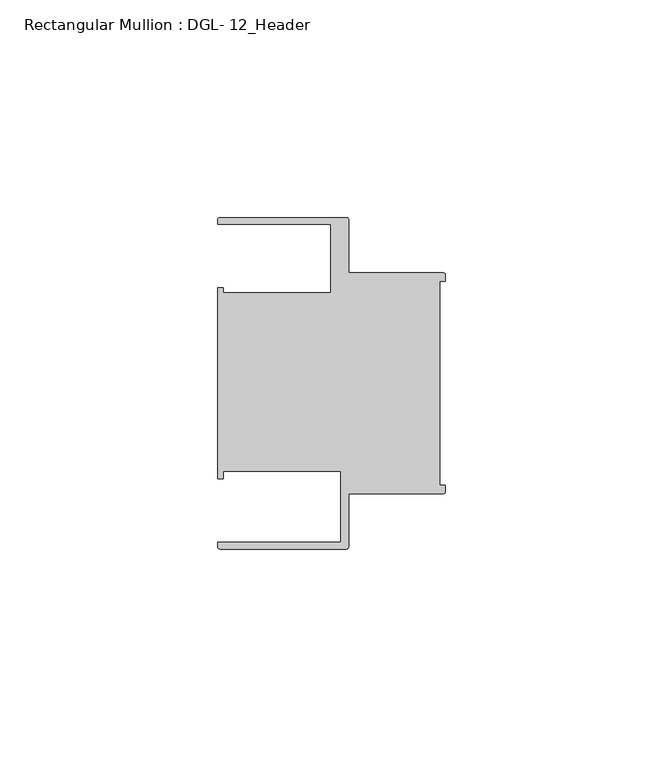
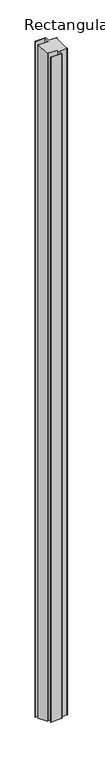
"""IFC4 building model written with IfcOpenShell, lengths in millimetres: member geometry, Rectangular Mullion : DGL- 12_Header."""

from ifc_helpers import new_model, si_unit, frame, origin, place, context, project, spatial, circle_curve, ellipse_curve, source, transform, mapped, element, save
from ifc_brep_helpers import plane_surface, cylinder_surface, advanced_brep


def rectangular_mullion_dgl_12_header_24eb3535(model_context):
    return source(origin(), model_context, "Body", "AdvancedBrep", [
        advanced_brep(
        [(-0.5953125, -25.4, 0.0), (0.0, -24.8046875, 0.0), (0.0, -23.4882401, 0.0), (-1.30175, -23.4882401, 0.0), (-1.30175, 23.4882401, 0.0), (0.0, 23.4882401, 0.0), (0.0, 24.8046875, 0.0), (-0.5953125, 25.4, 0.0), (-22.2332076, 25.4, 0.0), (-22.2332076, 37.5047035, 0.0), (-22.8285201, 38.100016, 0.0), (-51.7968699, 38.100016, 0.0), (-52.3921824, 37.5047035, 0.0), (-52.3921824, 36.512516, 0.0), (-26.3720794, 36.512516, 0.0), (-26.3720794, 20.8257348, 0.0), (-51.1280305, 20.8257348, 0.0), (-51.1280305, 21.9710976, 0.0), (-52.3948122, 21.9710976, 0.0), (-52.3948122, -21.9710976, 0.0), (-51.1280305, -21.9710976, 0.0), (-51.1280305, -20.1823589, 0.0), (-24.0747075, -20.1823589, 0.0), (-24.0747075, -36.5123462, 0.0), (-52.3921824, -36.5123462, 0.0), (-52.3921824, -37.5043667, 0.0), (-51.7968699, -38.0996792, 0.0), (-22.8285201, -38.0996792, 0.0), (-22.2332076, -37.5043667, 0.0), (-22.2332076, -25.4, 0.0), (-0.5953125, -25.4, -1913.8146572), (0.0, -24.8046875, -1914.0612437), (0.0, -23.4882401, -1914.6065341), (-1.30175, -23.4882401, -1914.6065341), (-1.30175, 23.4882401, -1934.0648293), (0.0, 23.4882401, -1934.0648293), (0.0, 24.8046875, -1934.6101196), (-0.5953125, 25.4, -1934.8567061), (-22.2332076, 25.4, -1934.8567061), (-22.2332076, 37.5047035, -1939.8706385), (-22.8285201, 38.100016, -1940.117225), (-51.7968699, 38.100016, -1940.117225), (-52.3921824, 37.5047035, -1939.8706385), (-52.3921824, 36.512516, -1939.459661), (-26.3720794, 36.512516, -1939.459661), (-26.3720794, 20.8257348, -1932.9619835), (-51.1280305, 20.8257348, -1932.9619835), (-51.1280305, 21.9710976, -1933.4364083), (-52.3948122, 21.9710976, -1933.4364083), (-52.3948122, -21.9710976, -1915.2349551), (-51.1280305, -21.9710976, -1915.2349551), (-51.1280305, -20.1823589, -1915.9758749), (-24.0747075, -20.1823589, -1915.9758749), (-24.0747075, -36.5123462, -1909.2117727), (-52.3921824, -36.5123462, -1909.2117727), (-52.3921824, -37.5043667, -1908.8008643), (-51.7968699, -38.0996792, -1908.5542778), (-22.8285201, -38.0996792, -1908.5542778), (-22.2332076, -37.5043667, -1908.8008643), (-22.2332076, -25.4, -1913.8146572)],
        [
            (0, 1, circle_curve(frame((-0.5953125, -24.8046875, 0.0), z_axis=(0.0, 0.0, 1.0), x_axis=(0.0, -1.0, 0.0)), 0.5953125)),
            (1, 2),
            (2, 3),
            (3, 4),
            (4, 5),
            (5, 6),
            (6, 7, circle_curve(frame((-0.5953125, 24.8046875, 0.0), z_axis=(0.0, 0.0, 1.0), x_axis=(0.0, 1.0, 0.0)), 0.5953125)),
            (7, 8),
            (8, 9),
            (9, 10, circle_curve(frame((-22.8285201, 37.5047035, 0.0), z_axis=(0.0, 0.0, 1.0), x_axis=(1.0, 0.0, 0.0)), 0.5953125)),
            (10, 11),
            (11, 12, circle_curve(frame((-51.7968699, 37.5047035, 0.0), z_axis=(0.0, 0.0, 1.0), x_axis=(1.0, 0.0, 0.0)), 0.5953125)),
            (12, 13),
            (13, 14),
            (14, 15),
            (15, 16),
            (16, 17),
            (17, 18),
            (18, 19),
            (19, 20),
            (20, 21),
            (21, 22),
            (22, 23),
            (23, 24),
            (24, 25),
            (25, 26, circle_curve(frame((-51.7968699, -37.5043667, 0.0), z_axis=(0.0, 0.0, 1.0), x_axis=(1.0, 0.0, 0.0)), 0.5953125)),
            (26, 27),
            (27, 28, circle_curve(frame((-22.8285201, -37.5043667, 0.0), z_axis=(0.0, 0.0, 1.0), x_axis=(1.0, 0.0, 0.0)), 0.5953125)),
            (28, 29),
            (29, 0),
            (0, 30),
            (30, 31, ellipse_curve(frame((-0.5953125, -24.8046875, -1914.0612437), z_axis=(0.0, 0.3826834323650906, 0.9238795325112865), x_axis=(0.0, -0.9238795325112865, 0.3826834323650903)), 0.6443616, 0.5953125)),
            (31, 1),
            (31, 32),
            (32, 2),
            (32, 33),
            (33, 3),
            (33, 34),
            (34, 4),
            (34, 35),
            (35, 5),
            (35, 36),
            (36, 6),
            (36, 37, ellipse_curve(frame((-0.5953125, 24.8046875, -1934.6101196), z_axis=(0.0, 0.3826834323650906, 0.9238795325112865), x_axis=(0.0, -0.9238795325112865, 0.3826834323650903)), 0.6443616, 0.5953125)),
            (37, 7),
            (37, 38),
            (38, 8),
            (38, 39),
            (39, 9),
            (39, 40, ellipse_curve(frame((-22.8285201, 37.5047035, -1939.8706385), z_axis=(0.0, 0.3826834323650906, 0.9238795325112865), x_axis=(0.0, -0.9238795325112865, 0.3826834323650903)), 0.6443616, 0.5953125)),
            (40, 10),
            (40, 41),
            (41, 11),
            (41, 42, ellipse_curve(frame((-51.7968699, 37.5047035, -1939.8706385), z_axis=(0.0, 0.3826834323650906, 0.9238795325112865), x_axis=(0.0, -0.9238795325112865, 0.3826834323650903)), 0.6443616, 0.5953125)),
            (42, 12),
            (42, 43),
            (43, 13),
            (43, 44),
            (44, 14),
            (44, 45),
            (45, 15),
            (45, 46),
            (46, 16),
            (46, 47),
            (47, 17),
            (47, 48),
            (48, 18),
            (48, 49),
            (49, 19),
            (49, 50),
            (50, 20),
            (50, 51),
            (51, 21),
            (51, 52),
            (52, 22),
            (52, 53),
            (53, 23),
            (53, 54),
            (54, 24),
            (54, 55),
            (55, 25),
            (55, 56, ellipse_curve(frame((-51.7968699, -37.5043667, -1908.8008643), z_axis=(0.0, 0.3826834323650906, 0.9238795325112865), x_axis=(0.0, -0.9238795325112865, 0.3826834323650903)), 0.6443616, 0.5953125)),
            (56, 26),
            (56, 57),
            (57, 27),
            (57, 58, ellipse_curve(frame((-22.8285201, -37.5043667, -1908.8008643), z_axis=(0.0, 0.3826834323650906, 0.9238795325112865), x_axis=(0.0, -0.9238795325112865, 0.3826834323650903)), 0.6443616, 0.5953125)),
            (58, 28),
            (58, 59),
            (59, 29),
            (59, 30),
        ],
        [
            plane_surface(frame((0.0, -64.5372437, 0.0), z_axis=(0.0, 0.0, 1.0), x_axis=(-1.0, 0.0, 0.0))),
            cylinder_surface(frame((-0.5953125, -24.8046875, 0.0), z_axis=(0.0, 0.0, 1.0), x_axis=(0.0, -1.0, 0.0)), 0.5953125),
            plane_surface(frame((0.0, -24.8046875, 0.0), z_axis=(1.0, 0.0, 0.0), x_axis=(0.0, 0.0, -1.0))),
            plane_surface(frame((0.0, -23.4882401, 0.0), z_axis=(0.0, 1.0, 0.0), x_axis=(0.0, 0.0, -1.0))),
            plane_surface(frame((-1.30175, -23.4882401, 0.0), z_axis=(1.0, 0.0, 0.0), x_axis=(0.0, 0.0, -1.0))),
            plane_surface(frame((-1.30175, 23.4882401, 0.0), z_axis=(0.0, -1.0, 0.0), x_axis=(0.0, 0.0, -1.0))),
            plane_surface(frame((0.0, 23.4882401, 0.0), z_axis=(1.0, 0.0, 0.0), x_axis=(0.0, 0.0, -1.0))),
            cylinder_surface(frame((-0.5953125, 24.8046875, 0.0), z_axis=(0.0, 0.0, 1.0), x_axis=(0.0, 1.0, 0.0)), 0.5953125),
            plane_surface(frame((-0.5953125, 25.4, 0.0), z_axis=(0.0, 1.0, 0.0), x_axis=(0.0, 0.0, -1.0))),
            plane_surface(frame((-22.2332076, 25.4, 0.0), z_axis=(1.0, 0.0, 0.0), x_axis=(0.0, 0.0, -1.0))),
            cylinder_surface(frame((-22.8285201, 37.5047035, 0.0), z_axis=(0.0, 0.0, 1.0), x_axis=(1.0, 0.0, 0.0)), 0.5953125),
            plane_surface(frame((-22.8285201, 38.100016, 0.0), z_axis=(0.0, 1.0, 0.0), x_axis=(0.0, 0.0, -1.0))),
            cylinder_surface(frame((-51.7968699, 37.5047035, 0.0), z_axis=(0.0, 0.0, 1.0), x_axis=(1.0, 0.0, 0.0)), 0.5953125),
            plane_surface(frame((-52.3921824, 37.5047035, 0.0), z_axis=(-1.0, 0.0, 0.0), x_axis=(0.0, 0.0, -1.0))),
            plane_surface(frame((-52.3921824, 36.512516, 0.0), z_axis=(0.0, -1.0, 0.0), x_axis=(0.0, 0.0, -1.0))),
            plane_surface(frame((-26.3720794, 36.512516, 0.0), z_axis=(-1.0, 0.0, 0.0), x_axis=(0.0, 0.0, -1.0))),
            plane_surface(frame((-26.3720794, 20.8257348, 0.0), z_axis=(0.0, 1.0, 0.0), x_axis=(0.0, 0.0, -1.0))),
            plane_surface(frame((-51.1280305, 20.8257348, 0.0), z_axis=(1.0, 0.0, 0.0), x_axis=(0.0, 0.0, -1.0))),
            plane_surface(frame((-51.1280305, 21.9710976, 0.0), z_axis=(0.0, 1.0, 0.0), x_axis=(0.0, 0.0, -1.0))),
            plane_surface(frame((-52.3948122, 21.9710976, 0.0), z_axis=(-1.0, 0.0, 0.0), x_axis=(0.0, 0.0, -1.0))),
            plane_surface(frame((-52.3948122, -21.9710976, 0.0), z_axis=(0.0, -1.0, 0.0), x_axis=(0.0, 0.0, -1.0))),
            plane_surface(frame((-51.1280305, -21.9710976, 0.0), z_axis=(1.0, 0.0, 0.0), x_axis=(0.0, 0.0, -1.0))),
            plane_surface(frame((-51.1280305, -20.1823589, 0.0), z_axis=(0.0, -1.0, 0.0), x_axis=(0.0, 0.0, -1.0))),
            plane_surface(frame((-24.0747075, -20.1823589, 0.0), z_axis=(-1.0, 0.0, 0.0), x_axis=(0.0, 0.0, -1.0))),
            plane_surface(frame((-24.0747075, -36.5123462, 0.0), z_axis=(0.0, 1.0, 0.0), x_axis=(0.0, 0.0, -1.0))),
            plane_surface(frame((-52.3921824, -36.5123462, 0.0), z_axis=(-1.0, 0.0, 0.0), x_axis=(0.0, 0.0, -1.0))),
            cylinder_surface(frame((-51.7968699, -37.5043667, 0.0), z_axis=(0.0, 0.0, 1.0), x_axis=(1.0, 0.0, 0.0)), 0.5953125),
            plane_surface(frame((-51.7968699, -38.0996792, 0.0), z_axis=(0.0, -1.0, 0.0), x_axis=(0.0, 0.0, -1.0))),
            cylinder_surface(frame((-22.8285201, -37.5043667, 0.0), z_axis=(0.0, 0.0, 1.0), x_axis=(1.0, 0.0, 0.0)), 0.5953125),
            plane_surface(frame((-22.2332076, -37.5043667, 0.0), z_axis=(1.0, 0.0, 0.0), x_axis=(0.0, 0.0, -1.0))),
            plane_surface(frame((-22.2332076, -25.4, 0.0), z_axis=(0.0, -1.0, 0.0), x_axis=(0.0, 0.0, -1.0))),
            plane_surface(frame((304.8, 0.0, -1924.3356817), z_axis=(0.0, -0.3826834323650906, -0.9238795325112865), x_axis=(0.0, -0.9238795325112865, 0.3826834323650906))),
        ],
        [
            (0, [[1, 2, 3, 4, 5, 6, 7, 8, 9, 10, 11, 12, 13, 14, 15, 16, 17, 18, 19, 20, 21, 22, 23, 24, 25, 26, 27, 28, 29, 30]]),
            (1, [[-1, 31, 32, 33]]),
            (2, [[-2, -33, 34, 35]]),
            (3, [[-3, -35, 36, 37]]),
            (4, [[-4, -37, 38, 39]]),
            (5, [[-5, -39, 40, 41]]),
            (6, [[-6, -41, 42, 43]]),
            (7, [[-7, -43, 44, 45]]),
            (8, [[-8, -45, 46, 47]]),
            (9, [[-9, -47, 48, 49]]),
            (10, [[-10, -49, 50, 51]]),
            (11, [[-11, -51, 52, 53]]),
            (12, [[-12, -53, 54, 55]]),
            (13, [[-13, -55, 56, 57]]),
            (14, [[-14, -57, 58, 59]]),
            (15, [[-15, -59, 60, 61]]),
            (16, [[-16, -61, 62, 63]]),
            (17, [[-17, -63, 64, 65]]),
            (18, [[-18, -65, 66, 67]]),
            (19, [[-19, -67, 68, 69]]),
            (20, [[-20, -69, 70, 71]]),
            (21, [[-21, -71, 72, 73]]),
            (22, [[-22, -73, 74, 75]]),
            (23, [[-23, -75, 76, 77]]),
            (24, [[-24, -77, 78, 79]]),
            (25, [[-25, -79, 80, 81]]),
            (26, [[-26, -81, 82, 83]]),
            (27, [[-27, -83, 84, 85]]),
            (28, [[-28, -85, 86, 87]]),
            (29, [[-29, -87, 88, 89]]),
            (30, [[-30, -89, 90, -31]]),
            (31, [[-90, -88, -86, -84, -82, -80, -78, -76, -74, -72, -70, -68, -66, -64, -62, -60, -58, -56, -54, -52, -50, -48, -46, -44, -42, -40, -38, -36, -34, -32]]),
        ],
    ),
    ])


if __name__ == "__main__":
    model = new_model("IFC4")
    model_context = context("Model", 3, world=origin())
    ifc_project = project(units=[si_unit("LENGTHUNIT", "METRE", prefix="MILLI")], contexts=[model_context])
    site = spatial("IfcSite", under=ifc_project)
    building = spatial("IfcBuilding", under=site)
    placement = place(None, origin())
    rectangular_mullion_dgl_12_header_shape = rectangular_mullion_dgl_12_header_24eb3535(model_context)
    element("IfcMember", 1, ObjectType="Rectangular Mullion : DGL- 12_Header", at=placement, inside=building, context=model_context, shape_type="MappedRepresentation", body=[
        mapped(rectangular_mullion_dgl_12_header_shape, transform((0.0, 0.0, 0.0), x_axis=(1.0, 0.0, 0.0), y_axis=(0.0, 1.0, 0.0), z_axis=(0.0, 0.0, 1.0))),
    ])
    save(model, "model.ifc")
